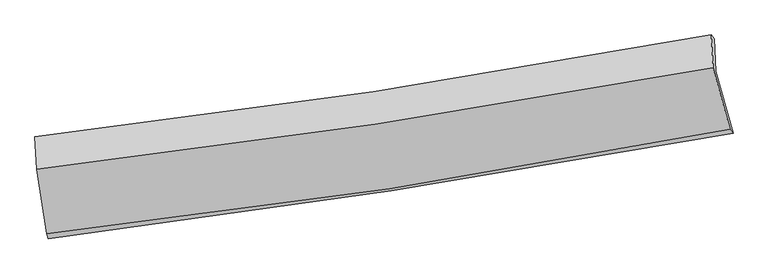
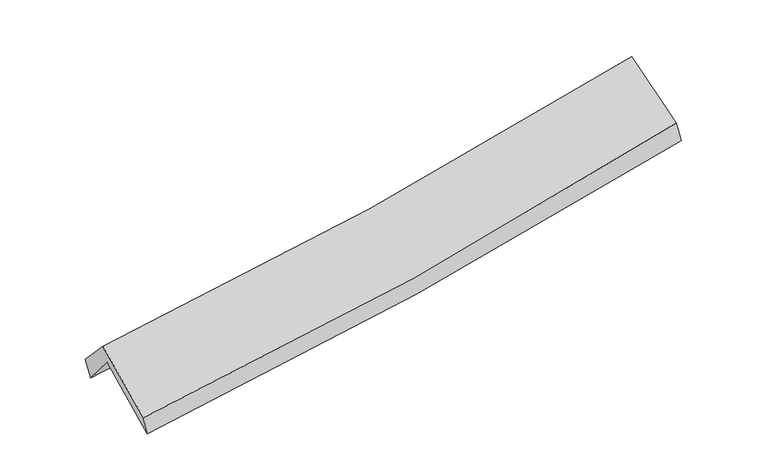
"""IFC4 building model written with IfcOpenShell, lengths in millimetres: proxy geometry."""

from ifc_helpers import new_model, si_unit, frame, origin, place, context, project, spatial, source, transform, mapped, element, save
from ifc_brep_helpers import plane_surface, spline_curve, spline_surface, advanced_brep


def generic_models_bf3036c6(model_context):
    return source(origin(), model_context, "Body", "AdvancedBrep", [
        advanced_brep(
        [(-2667.7162608, -2499.5355109, 1484.4544555), (-2749.0808665, -1994.8035652, 1913.9704671), (2684.7671832, -1157.3409512, 2391.6129282), (2823.8855544, -1654.0172661, 1958.3671923), (-2760.0171501, -1742.4238767, 1610.8567251), (2673.4004556, -895.0277847, 2076.5688534), (-2775.6152453, -1682.0887251, 1764.4230099), (2649.2315566, -863.9842949, 2239.1475219), (-2762.6667165, -1942.9022051, 2048.9972148), (2663.9386708, -1127.9473139, 2527.5480535), (-2680.1676771, -2460.3896298, 1624.673991), (2799.548833, -1621.8591214, 2120.65376)],
        [
            (0, 1),
            (1, 2, spline_curve(3, [(-2749.0808665, -1994.8035652, 1913.9704671), (-1839.513827286, -1883.212362235, 1968.649048467), (-933.113151656, -1757.851957785, 2035.652263359), (878.203613931, -1478.845963002, 2194.733756438), (1783.085621529, -1325.052162864, 2286.944694894), (2684.7671832, -1157.3409512, 2391.6129282)], [4, 2, 4], [0.0, 9.078258673289719, 18.20524521665847])),
            (2, 3),
            (3, 0, spline_curve(3, [(2823.8855544, -1654.0172661, 1958.3671923), (1912.863009687, -1820.244637543, 1850.786894453), (998.484399336, -1973.973404541, 1757.436297434), (-832.085278423, -2255.679718415, 1599.616920603), (-1748.240606669, -2383.790366693, 1534.99660577), (-2667.7162608, -2499.5355109, 1484.4544555)], [4, 2, 4], [0.0, 9.12698654336875, 18.20524521665847])),
            (1, 4),
            (4, 5, spline_curve(3, [(-2760.0171501, -1742.4238767, 1610.8567251), (-1850.835683508, -1621.934702024, 1654.848640239), (-944.66398888, -1491.290039216, 1715.505340875), (866.507609602, -1208.933987462, 1870.5633393), (1771.475117055, -1057.113286236, 1965.144014667), (2673.4004556, -895.0277847, 2076.5688534)], [4, 2, 4], [0.0, 9.031141060995694, 18.110757086642966])),
            (5, 2),
            (4, 6),
            (6, 7, spline_curve(3, [(-2775.6152453, -1682.0887251, 1764.4230099), (-1867.135734398, -1575.327197773, 1812.896273076), (-962.026372324, -1453.992652316, 1876.546662396), (846.292170603, -1181.4480381, 2034.62480144), (1749.465076081, -1030.081106412, 2129.215916411), (2649.2315566, -863.9842949, 2239.1475219)], [4, 2, 4], [0.0, 9.021628167582179, 18.09168023902873])),
            (7, 5),
            (6, 8),
            (8, 9, spline_curve(3, [(-2762.6667165, -1942.9022051, 2048.9972148), (-1853.823351907, -1837.798265155, 2099.330377267), (-948.385810893, -1717.555790467, 2164.230360848), (860.519311602, -1446.067109443, 2323.590511399), (1763.95023278, -1294.657953747, 2418.207474135), (2663.9386708, -1127.9473139, 2527.5480535)], [4, 2, 4], [0.0, 9.01330788991588, 18.074995024315548])),
            (9, 7),
            (8, 10),
            (10, 11, spline_curve(3, [(-2680.1676771, -2460.3896298, 1624.673991), (-1760.565648474, -2356.584354379, 1673.583500419), (-845.332110961, -2235.038818023, 1739.214398603), (981.287080867, -1955.719602403, 1904.36100117), (1892.625713707, -1797.754969429, 2004.056692616), (2799.548833, -1621.8591214, 2120.65376)], [4, 2, 4], [0.0, 9.061996297113568, 18.17263317543481])),
            (11, 9),
            (10, 0),
            (3, 11),
        ],
        [
            spline_surface(3, 3, [[(-2667.7162608, -2499.5355109, 1484.4544555), (-1748.240606611, -2383.790366598, 1534.996605712), (-832.085278539, -2255.679718552, 1599.61692073), (998.484399452, -1973.973404404, 1757.436297306), (1912.863009781, -1820.244637547, 1850.786894577), (2823.8855544, -1654.0172661, 1958.3671923)], [(-2694.837796014, -2331.291529008, 1627.626459356), (-1778.665013471, -2216.931031775, 1679.547419941), (-865.761236252, -2089.737131587, 1744.962034985), (958.390804275, -1808.930923941, 1903.202116975), (1869.603880403, -1655.180479317, 1996.172828036), (2777.512764027, -1488.458494481, 2102.782437602)], [(-2721.959331286, -2163.047547092, 1770.798463244), (-1809.089420391, -2050.071696929, 1824.0982342), (-899.437193949, -1923.79454468, 1890.307149233), (918.297209114, -1643.888443536, 2048.967936638), (1826.344750944, -1490.116321045, 2141.558761487), (2731.139973573, -1322.899722819, 2247.197682898)], [(-2749.0808665, -1994.8035652, 1913.9704671), (-1839.513827252, -1883.212362106, 1968.649048429), (-933.113151663, -1757.851957715, 2035.652263488), (878.203613937, -1478.845963073, 2194.733756308), (1783.085621567, -1325.052162816, 2286.944694945), (2684.7671832, -1157.3409512, 2391.6129282)]], [4, 4], [4, 2, 4], [0.0, 2.19943334936828], [0.0, 9.078258673289719, 18.20524521665847]),
            spline_surface(3, 3, [[(-2749.0808665, -1994.8035652, 1913.9704671), (-1839.513827252, -1883.212362106, 1968.649048429), (-933.113151663, -1757.851957715, 2035.652263488), (878.203613937, -1478.845963073, 2194.733756308), (1783.085621567, -1325.052162816, 2286.944694946), (2684.7671832, -1157.3409512, 2391.6129282)], [(-2752.726294369, -1910.677002352, 1812.932553114), (-1843.287779385, -1796.119808701, 1864.048912373), (-936.96343079, -1668.997984849, 1928.936622627), (874.304945849, -1388.875304575, 2086.676950624), (1779.215453357, -1235.739204006, 2179.677801534), (2680.978273985, -1069.903229033, 2286.598236617)], [(-2756.371722231, -1826.550439548, 1711.894639086), (-1847.061731512, -1709.02725534, 1759.448776277), (-940.813709871, -1580.144011974, 1822.220981773), (870.406277808, -1298.904646068, 1978.620144946), (1775.345285193, -1146.426245196, 2072.410908073), (2677.189364815, -982.465506867, 2181.583544983)], [(-2760.0171501, -1742.4238767, 1610.8567251), (-1850.835683646, -1621.934701935, 1654.848640221), (-944.663988998, -1491.290039108, 1715.505340913), (866.507609721, -1208.933987571, 1870.563339262), (1771.475116983, -1057.113286387, 1965.144014661), (2673.4004556, -895.0277847, 2076.5688534)]], [4, 4], [4, 2, 4], [0.0, 1.375936017314402], [0.0, 9.031141060995694, 18.110757086642966]),
            spline_surface(3, 3, [[(-2760.0171501, -1742.4238767, 1610.8567251), (-1850.835683646, -1621.934701935, 1654.848640221), (-944.663988998, -1491.290039108, 1715.505340913), (866.507609721, -1208.933987571, 1870.563339262), (1771.475116983, -1057.113286387, 1965.144014661), (2673.4004556, -895.0277847, 2076.5688534)], [(-2765.216515161, -1722.312159495, 1662.045486681), (-1856.26903393, -1606.398867169, 1707.531184535), (-950.451450154, -1478.857576885, 1769.185781362), (859.769130046, -1199.772004357, 1925.250493343), (1764.138436643, -1048.10255972, 2019.834648574), (2665.34415593, -884.679954765, 2130.761742883)], [(-2770.415880239, -1702.200442305, 1713.234248319), (-1861.702384233, -1590.863032416, 1760.213728905), (-956.238911285, -1466.425114685, 1822.866221847), (853.030650396, -1190.610021167, 1979.937647459), (1756.801756314, -1039.091833059, 2074.525282536), (2657.28785627, -874.332124835, 2184.954632417)], [(-2775.6152453, -1682.0887251, 1764.4230099), (-1867.135734518, -1575.32719765, 1812.896273219), (-962.026372441, -1453.992652462, 1876.546662296), (846.292170721, -1181.448037954, 2034.624801539), (1749.465075975, -1030.081106392, 2129.215916449), (2649.2315566, -863.9842949, 2239.1475219)]], [4, 4], [4, 2, 4], [0.0, 0.5472850922165841], [0.0, 9.021628167582179, 18.09168023902873]),
            spline_surface(3, 3, [[(-2775.6152453, -1682.0887251, 1764.4230099), (-1867.135734518, -1575.32719765, 1812.896273219), (-962.026372441, -1453.992652462, 1876.546662296), (846.292170721, -1181.448037954, 2034.624801539), (1749.465075975, -1030.081106392, 2129.215916449), (2649.2315566, -863.9842949, 2239.1475219)], [(-2771.299069034, -1769.026551777, 1859.281078203), (-1862.698273666, -1662.817553484, 1908.374307866), (-957.479518537, -1541.847031807, 1972.441228455), (851.034551006, -1269.654395127, 2130.946704862), (1754.29346159, -1118.273388829, 2225.546435674), (2654.133928012, -951.971967903, 2335.281032449)], [(-2766.982892766, -1855.964378423, 1954.139146497), (-1858.260812812, -1750.307909287, 2003.852342504), (-952.932664703, -1629.701411122, 2068.335794598), (855.776931222, -1357.860752269, 2227.268608168), (1759.121847168, -1206.465671256, 2321.876954854), (2659.036299388, -1039.959640897, 2431.414542951)], [(-2762.6667165, -1942.9022051, 2048.9972148), (-1853.823351961, -1837.798265122, 2099.330377151), (-948.385810799, -1717.555790468, 2164.230360757), (860.519311507, -1446.067109443, 2323.59051149), (1763.950232783, -1294.657953694, 2418.207474079), (2663.9386708, -1127.9473139, 2527.5480535)]], [4, 4], [4, 2, 4], [0.0, 1.2836132533027447], [0.0, 9.01330788991588, 18.074995024315548]),
            spline_surface(3, 3, [[(-2762.6667165, -1942.9022051, 2048.9972148), (-1853.823351961, -1837.798265122, 2099.330377151), (-948.385810799, -1717.555790468, 2164.230360757), (860.519311507, -1446.067109443, 2323.59051149), (1763.950232783, -1294.657953694, 2418.207474079), (2663.9386708, -1127.9473139, 2527.5480535)], [(-2735.167036691, -2115.398013318, 1907.556140216), (-1822.737450773, -2010.726961487, 1957.414751577), (-914.034577552, -1890.050132966, 2022.558373351), (900.775234628, -1615.951273813, 2183.847341378), (1806.842059705, -1462.356958914, 2280.157213595), (2709.14205819, -1292.584583066, 2391.916622305)], [(-2707.667356909, -2287.893821582, 1766.115065584), (-1791.651549612, -2183.655657901, 1815.499125954), (-879.683344258, -2062.54447542, 1880.886385985), (941.031157796, -1785.835438138, 2044.104171306), (1849.733886659, -1630.055964138, 2142.106953197), (2754.34544561, -1457.221852234, 2256.285191195)], [(-2680.1676771, -2460.3896298, 1624.673991), (-1760.565648424, -2356.584354266, 1673.58350038), (-845.332111012, -2235.038817918, 1739.214398579), (981.287080917, -1955.719602508, 1904.361001194), (1892.625713582, -1797.754969359, 2004.056692714), (2799.548833, -1621.8591214, 2120.65376)]], [4, 4], [4, 2, 4], [0.0, 2.211683675955203], [0.0, 9.061996297113568, 18.17263317543481]),
            spline_surface(3, 3, [[(-2680.1676771, -2460.3896298, 1624.673991), (-1760.565648424, -2356.584354266, 1673.58350038), (-845.332111012, -2235.038817918, 1739.214398579), (981.287080917, -1955.719602508, 1904.361001194), (1892.625713582, -1797.754969359, 2004.056692714), (2799.548833, -1621.8591214, 2120.65376)], [(-2676.017205031, -2473.43825685, 1577.934145829), (-1756.457301184, -2365.65302506, 1627.38786882), (-840.916500166, -2241.919118128, 1692.681905982), (987.019520451, -1961.804203139, 1855.386099918), (1899.371478971, -1805.251525407, 1952.966760012), (2807.661073456, -1632.578502952, 2066.558237444)], [(-2671.866732869, -2486.48688385, 1531.194300671), (-1752.34895385, -2374.721695804, 1581.192237272), (-836.500889385, -2248.799418342, 1646.149413326), (992.751959919, -1967.888803773, 1806.411198582), (1906.117244392, -1812.748081498, 1901.876827278), (2815.773313944, -1643.297884548, 2012.462714856)], [(-2667.7162608, -2499.5355109, 1484.4544555), (-1748.240606611, -2383.790366598, 1534.996605712), (-832.085278539, -2255.679718552, 1599.61692073), (998.484399452, -1973.973404404, 1757.436297306), (1912.863009781, -1820.244637547, 1850.786894577), (2823.8855544, -1654.0172661, 1958.3671923)]], [4, 4], [4, 2, 4], [0.0, 0.47701387975531234], [0.0, 9.117431504990675, 18.283801141600886]),
            plane_surface(frame((2715.7953756, -1220.0294554, 2218.9830515), z_axis=(0.9779437488570604, 0.17650496583834724, 0.11167820336038159), x_axis=(0.20730992740329218, -0.7550527137354207, -0.6220273253489903))),
            plane_surface(frame((-2732.543986, -2053.6905855, 1741.2293106), z_axis=(-0.9921358738338723, -0.11143842906438203, -0.0569902130155841), x_axis=(-0.08521782194846197, 0.2679154463093697, 0.9596662109562947))),
        ],
        [
            (0, [[1, 2, 3, 4]]),
            (1, [[5, 6, 7, -2]]),
            (2, [[8, 9, 10, -6]]),
            (3, [[11, 12, 13, -9]]),
            (4, [[14, 15, 16, -12]]),
            (5, [[17, -4, 18, -15]]),
            (6, [[-16, -18, -3, -7, -10, -13]]),
            (7, [[-17, -14, -11, -8, -5, -1]]),
        ],
    ),
    ])


if __name__ == "__main__":
    model = new_model("IFC4")
    model_context = context("Model", 3, world=origin())
    ifc_project = project(units=[si_unit("LENGTHUNIT", "METRE", prefix="MILLI")], contexts=[model_context])
    site = spatial("IfcSite", under=ifc_project)
    building = spatial("IfcBuilding", under=site)
    placement = place(None, origin())
    generic_models_shape = generic_models_bf3036c6(model_context)
    element("IfcBuildingElementProxy", 1, Name="Generic Models", at=placement, inside=building, context=model_context, shape_type="MappedRepresentation", body=[
        mapped(generic_models_shape, transform((0.0, 0.0, 0.0), x_axis=(1.0, 0.0, 0.0), y_axis=(0.0, 1.0, 0.0), z_axis=(0.0, 0.0, 1.0))),
    ])
    save(model, "model.ifc")
